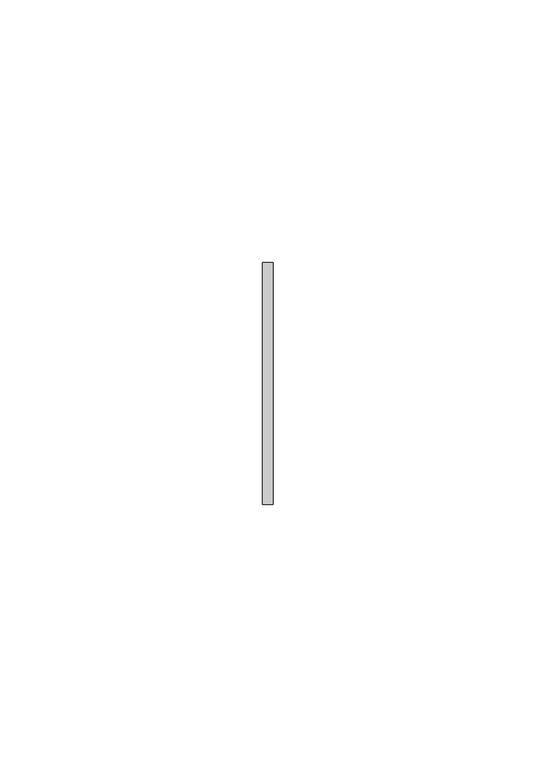
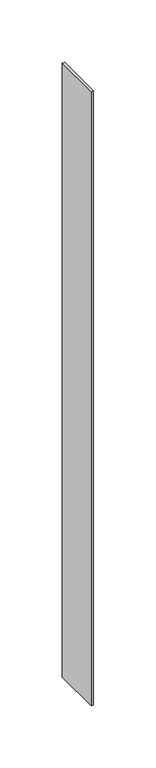
"""IFC4 building model written with IfcOpenShell, lengths in millimetres: member geometry."""

from ifc_helpers import new_model, si_unit, frame, origin, place, context, project, spatial, polyline, outline, extrude, source, transform, mapped, element, save


def member_be22881e(model_context):
    return source(origin(), model_context, "Body", "SweptSolid", [
        extrude(outline(polyline([(1.0, 23.0), (1.0, -23.0), (-1.0, -23.0), (-1.0, 23.0), (1.0, 23.0)])), frame((0.0, 0.0, -600.0), z_axis=(0.0, 0.0, 1.0), x_axis=(1.0, 0.0, 0.0)), (0.0, 0.0, 1.0), 600.0),
    ])


if __name__ == "__main__":
    model = new_model("IFC4")
    model_context = context("Model", 3, world=origin())
    ifc_project = project(units=[si_unit("LENGTHUNIT", "METRE", prefix="MILLI")], contexts=[model_context])
    site = spatial("IfcSite", under=ifc_project)
    building = spatial("IfcBuilding", under=site)
    placement = place(None, origin())
    member_shape = member_be22881e(model_context)
    element("IfcMember", 1, at=placement, inside=building, context=model_context, shape_type="MappedRepresentation", body=[
        mapped(member_shape, transform((0.0, 0.0, 0.0), x_axis=(1.0, 0.0, 0.0), y_axis=(0.0, 1.0, 0.0), z_axis=(0.0, 0.0, 1.0))),
    ])
    save(model, "model.ifc")
